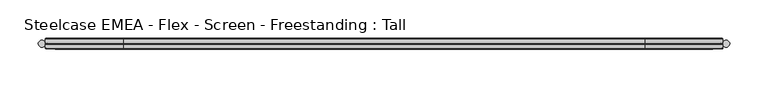
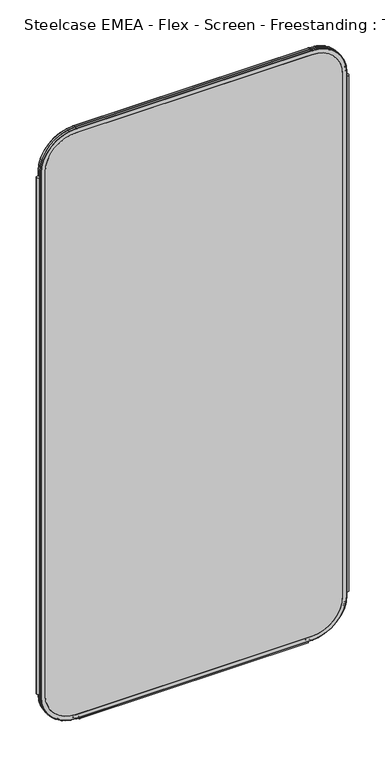
"""IFC4 building model written with IfcOpenShell, lengths in millimetres: furniture geometry, Steelcase EMEA - Flex - Screen - Freestanding : Tall."""

from ifc_helpers import new_model, si_unit, point, frame, frame_2d, origin, place, context, project, spatial, polyline, circle_curve, ellipse_curve, trimmed, segment, composite_curve, outline, extrude, source, transform, mapped, element, save
from ifc_brep_helpers import plane_surface, cylinder_surface, revolved_surface, advanced_brep


def steelcase_emea_flex_screen_freestanding_tall_e9c45d28(model_context):
    return source(origin(), model_context, "Body", "SolidModel", [
        extrude(outline(composite_curve([segment(trimmed(circle_curve(frame_2d((4.5307839, 0.0)), 4.572), [point((-0.0412161, 0.0))], [point((9.1027839, 0.0))], False, "CARTESIAN"), True, "CONTINUOUS"), segment(trimmed(circle_curve(frame_2d((4.5307839, 0.0)), 4.572), [point((9.1027839, 0.0))], [point((-0.0412161, 0.0))], False, "CARTESIAN"), True, "CONTINUOUS")], self_intersect=False)), frame((0.0, 0.0, 115.57), z_axis=(0.0, 0.0, 1.0), x_axis=(1.0, 0.0, 0.0)), (0.0, 0.0, 1.0), 1568.86),
        extrude(outline(composite_curve([segment(trimmed(circle_curve(frame_2d((895.4692161, 0.0)), 4.572), [point((890.8972161, 0.0))], [point((900.0412161, 0.0))], False, "CARTESIAN"), True, "CONTINUOUS"), segment(trimmed(circle_curve(frame_2d((895.4692161, 0.0)), 4.572), [point((900.0412161, 0.0))], [point((890.8972161, 0.0))], False, "CARTESIAN"), True, "CONTINUOUS")], self_intersect=False)), frame((0.0, 0.0, 115.57), z_axis=(0.0, 0.0, 1.0), x_axis=(1.0, 0.0, 0.0)), (0.0, 0.0, 1.0), 1568.86),
        extrude(outline(composite_curve([segment(trimmed(circle_curve(frame_2d((-3.5, 4.4751953)), 0.5), [point((-3.5, 4.9751953))], [point((-3.5, 3.9751953))], False, "CARTESIAN"), True, "CONTINUOUS"), segment(trimmed(circle_curve(frame_2d((-3.5, 2.4751953)), 1.5), [point((-3.5, 3.9751953))], [point((-2.3025096, 1.5718589))], True, "CARTESIAN"), True, "CONTINUOUS"), segment(trimmed(circle_curve(frame_2d((-10.3325937, 7.629417)), 10.0586411), [point((-2.3025096, 1.5718589))], [point((-0.714976, 4.6836248))], True, "CARTESIAN"), True, "CONTINUOUS"), segment(trimmed(circle_curve(frame_2d((0.0, 4.4646339)), 0.7477618), [point((-0.714976, 4.6836248))], [point((0.714976, 4.6836248))], False, "CARTESIAN"), True, "CONTINUOUS"), segment(trimmed(circle_curve(frame_2d((10.3325937, 7.629417)), 10.0586411), [point((0.714976, 4.6836248))], [point((2.3025096, 1.5718589))], True, "CARTESIAN"), True, "CONTINUOUS"), segment(trimmed(circle_curve(frame_2d((3.5, 2.4751953)), 1.5), [point((2.3025096, 1.5718589))], [point((3.5, 3.9751953))], True, "CARTESIAN"), True, "CONTINUOUS"), segment(trimmed(circle_curve(frame_2d((3.5, 4.4751953)), 0.5), [point((3.5, 3.9751953))], [point((3.5, 4.9751953))], False, "CARTESIAN"), True, "CONTINUOUS"), segment(trimmed(circle_curve(frame_2d((3.5, 2.4751953)), 2.5), [point((3.5, 4.9751953))], [point((1.4656663, 1.0220998))], False, "CARTESIAN"), True, "CONTINUOUS"), segment(trimmed(circle_curve(frame_2d((0.0, -0.0248047)), 1.8011626), [point((1.4656663, 1.0220998))], [point((-1.4656663, 1.0220998))], True, "CARTESIAN"), True, "CONTINUOUS"), segment(trimmed(circle_curve(frame_2d((-3.5, 2.4751953)), 2.5), [point((-1.4656663, 1.0220998))], [point((-3.5, 4.9751953))], False, "CARTESIAN"), True, "CONTINUOUS")], self_intersect=False)), frame((120.0, 0.0, 0.0), z_axis=(1.0, 0.0, 0.0), x_axis=(0.0, 1.0, 0.0)), (0.0, 0.0, 1.0), 660.0),
        advanced_brep(
        [(9.9273521, 0.0, 1698.4), (110.7653521, 0.0, 1799.238), (789.2594661, 0.0, 1799.238), (890.0974661, 0.0, 1698.4), (890.0974661, 0.0, 106.5996464), (789.2594661, 0.0, 5.7616464), (110.7653521, 0.0, 5.7616464), (9.9273521, 0.0, 106.5996464), (789.2594661, 0.0, 17.6996464), (878.1594661, 0.0, 106.5996464), (878.1594661, 0.0, 1698.4), (789.2594661, 0.0, 1787.3), (110.7653521, 0.0, 1787.3), (21.8653521, 0.0, 1698.4), (21.8653521, 0.0, 106.5996464), (110.7653521, 0.0, 17.6996464), (110.7653521, -0.762, 1800.0), (9.1653521, -0.762, 1698.4), (110.7653521, -6.096, 1800.0), (9.1653521, -6.096, 1698.4), (110.7653521, -6.858, 1799.238), (9.9273521, -6.858, 1698.4), (110.7653521, -6.858, 1787.3), (21.8653521, -6.858, 1698.4), (789.2594661, -0.762, 1800.0), (789.2594661, -6.096, 1800.0), (789.2594661, -6.858, 1799.238), (789.2594661, -6.858, 1787.3), (890.8594661, -0.762, 1698.4), (890.8594661, -6.096, 1698.4), (890.0974661, -6.858, 1698.4), (878.1594661, -6.858, 1698.4), (890.8594661, -0.762, 106.5996464), (890.8594661, -6.096, 106.5996464), (890.0974661, -6.858, 106.5996464), (878.1594661, -6.858, 106.5996464), (789.2594661, -0.762, 4.9996464), (789.2594661, -6.096, 4.9996464), (789.2594661, -6.858, 5.7616464), (789.2594661, -6.858, 17.6996464), (110.7653521, -0.762, 4.9996464), (110.7653521, -6.096, 4.9996464), (110.7653521, -6.858, 5.7616464), (110.7653521, -6.858, 17.6996464), (9.1653521, -0.762, 106.5996464), (9.1653521, -6.096, 106.5996464), (9.9273521, -6.858, 106.5996464), (21.8653521, -6.858, 106.5996464)],
        [
            (0, 1, circle_curve(frame((110.7653521, 0.0, 1698.4), z_axis=(0.0, 1.0, 0.0), x_axis=(-1.0, 0.0, 0.0)), 100.838)),
            (1, 2),
            (2, 3, circle_curve(frame((789.2594661, 0.0, 1698.4), z_axis=(0.0, 1.0, 0.0), x_axis=(0.0, 0.0, 1.0)), 100.838)),
            (3, 4),
            (4, 5, circle_curve(frame((789.2594661, 0.0, 106.5996464), z_axis=(0.0, 1.0, 0.0), x_axis=(1.0, 0.0, 0.0)), 100.838)),
            (5, 6),
            (6, 7, circle_curve(frame((110.7653521, 0.0, 106.5996464), z_axis=(0.0, 1.0, 0.0), x_axis=(0.0, 0.0, -1.0)), 100.838)),
            (7, 0),
            (8, 9, circle_curve(frame((789.2594661, 0.0, 106.5996464), z_axis=(0.0, -1.0, 0.0), x_axis=(1.0, 0.0, 0.0)), 88.9)),
            (9, 10),
            (10, 11, circle_curve(frame((789.2594661, 0.0, 1698.4), z_axis=(0.0, -1.0, 0.0), x_axis=(0.0, 0.0, 1.0)), 88.9)),
            (11, 12),
            (12, 13, circle_curve(frame((110.7653521, 0.0, 1698.4), z_axis=(0.0, -1.0, 0.0), x_axis=(-1.0, 0.0, 0.0)), 88.9)),
            (13, 14),
            (14, 15, circle_curve(frame((110.7653521, 0.0, 106.5996464), z_axis=(0.0, -1.0, 0.0), x_axis=(0.0, 0.0, -1.0)), 88.9)),
            (15, 8),
            (16, 1, circle_curve(frame((110.7653521, -0.762, 1799.238), z_axis=(-1.0, 0.0, 0.0), x_axis=(0.0, 0.0, 1.0)), 0.762)),
            (0, 17, circle_curve(frame((9.9273521, -0.762, 1698.4), z_axis=(0.0, 0.0, 1.0), x_axis=(-1.0, 0.0, 0.0)), 0.762)),
            (17, 16, circle_curve(frame((110.7653521, -0.762, 1698.4), z_axis=(0.0, 1.0, 0.0), x_axis=(-1.0, 0.0, 0.0)), 101.6)),
            (18, 16),
            (17, 19),
            (19, 18, circle_curve(frame((110.7653521, -6.096, 1698.4), z_axis=(0.0, 1.0, 0.0), x_axis=(-1.0, 0.0, 0.0)), 101.6)),
            (20, 18, circle_curve(frame((110.7653521, -6.096, 1799.238), z_axis=(-1.0, 0.0, 0.0), x_axis=(0.0, 0.0, 1.0)), 0.762)),
            (19, 21, circle_curve(frame((9.9273521, -6.096, 1698.4), z_axis=(0.0, 0.0, 1.0), x_axis=(-1.0, 0.0, 0.0)), 0.762)),
            (21, 20, circle_curve(frame((110.7653521, -6.858, 1698.4), z_axis=(0.0, 1.0, 0.0), x_axis=(-1.0, 0.0, 0.0)), 100.838)),
            (12, 22),
            (22, 23, circle_curve(frame((110.7653521, -6.858, 1698.4), z_axis=(0.0, -1.0, 0.0), x_axis=(-1.0, 0.0, 0.0)), 88.9)),
            (23, 13),
            (16, 24),
            (24, 2, circle_curve(frame((789.2594661, -0.762, 1799.238), z_axis=(-1.0, 0.0, 0.0), x_axis=(0.0, 0.0, 1.0)), 0.762)),
            (18, 25),
            (25, 24),
            (20, 26),
            (26, 25, circle_curve(frame((789.2594661, -6.096, 1799.238), z_axis=(-1.0, 0.0, 0.0), x_axis=(0.0, 0.0, 1.0)), 0.762)),
            (11, 27),
            (27, 22),
            (28, 3, circle_curve(frame((890.0974661, -0.762, 1698.4), z_axis=(0.0, 0.0, 1.0), x_axis=(1.0, 0.0, 0.0)), 0.762)),
            (24, 28, circle_curve(frame((789.2594661, -0.762, 1698.4), z_axis=(0.0, 1.0, 0.0), x_axis=(0.0, 0.0, 1.0)), 101.6)),
            (29, 28),
            (25, 29, circle_curve(frame((789.2594661, -6.096, 1698.4), z_axis=(0.0, 1.0, 0.0), x_axis=(0.0, 0.0, 1.0)), 101.6)),
            (30, 29, circle_curve(frame((890.0974661, -6.096, 1698.4), z_axis=(0.0, 0.0, 1.0), x_axis=(1.0, 0.0, 0.0)), 0.762)),
            (26, 30, circle_curve(frame((789.2594661, -6.858, 1698.4), z_axis=(0.0, 1.0, 0.0), x_axis=(0.0, 0.0, 1.0)), 100.838)),
            (10, 31),
            (31, 27, circle_curve(frame((789.2594661, -6.858, 1698.4), z_axis=(0.0, -1.0, 0.0), x_axis=(0.0, 0.0, 1.0)), 88.9)),
            (28, 32),
            (32, 4, circle_curve(frame((890.0974661, -0.762, 106.5996464), z_axis=(0.0, 0.0, 1.0), x_axis=(1.0, 0.0, 0.0)), 0.762)),
            (29, 33),
            (33, 32),
            (30, 34),
            (34, 33, circle_curve(frame((890.0974661, -6.096, 106.5996464), z_axis=(0.0, 0.0, 1.0), x_axis=(1.0, 0.0, 0.0)), 0.762)),
            (9, 35),
            (35, 31),
            (36, 5, circle_curve(frame((789.2594661, -0.762, 5.7616464), z_axis=(1.0, 0.0, 0.0), x_axis=(0.0, 0.0, -1.0)), 0.762)),
            (32, 36, circle_curve(frame((789.2594661, -0.762, 106.5996464), z_axis=(0.0, 1.0, 0.0), x_axis=(1.0, 0.0, 0.0)), 101.6)),
            (37, 36),
            (33, 37, circle_curve(frame((789.2594661, -6.096, 106.5996464), z_axis=(0.0, 1.0, 0.0), x_axis=(1.0, 0.0, 0.0)), 101.6)),
            (38, 37, circle_curve(frame((789.2594661, -6.096, 5.7616464), z_axis=(1.0, 0.0, 0.0), x_axis=(0.0, 0.0, -1.0)), 0.762)),
            (34, 38, circle_curve(frame((789.2594661, -6.858, 106.5996464), z_axis=(0.0, 1.0, 0.0), x_axis=(1.0, 0.0, 0.0)), 100.838)),
            (8, 39),
            (39, 35, circle_curve(frame((789.2594661, -6.858, 106.5996464), z_axis=(0.0, -1.0, 0.0), x_axis=(1.0, 0.0, 0.0)), 88.9)),
            (36, 40),
            (40, 6, circle_curve(frame((110.7653521, -0.762, 5.7616464), z_axis=(1.0, 0.0, 0.0), x_axis=(0.0, 0.0, -1.0)), 0.762)),
            (37, 41),
            (41, 40),
            (38, 42),
            (42, 41, circle_curve(frame((110.7653521, -6.096, 5.7616464), z_axis=(1.0, 0.0, 0.0), x_axis=(0.0, 0.0, -1.0)), 0.762)),
            (15, 43),
            (43, 39),
            (44, 7, circle_curve(frame((9.9273521, -0.762, 106.5996464), z_axis=(0.0, 0.0, -1.0), x_axis=(-1.0, 0.0, 0.0)), 0.762)),
            (40, 44, circle_curve(frame((110.7653521, -0.762, 106.5996464), z_axis=(0.0, 1.0, 0.0), x_axis=(0.0, 0.0, -1.0)), 101.6)),
            (45, 44),
            (41, 45, circle_curve(frame((110.7653521, -6.096, 106.5996464), z_axis=(0.0, 1.0, 0.0), x_axis=(0.0, 0.0, -1.0)), 101.6)),
            (46, 45, circle_curve(frame((9.9273521, -6.096, 106.5996464), z_axis=(0.0, 0.0, -1.0), x_axis=(-1.0, 0.0, 0.0)), 0.762)),
            (42, 46, circle_curve(frame((110.7653521, -6.858, 106.5996464), z_axis=(0.0, 1.0, 0.0), x_axis=(0.0, 0.0, -1.0)), 100.838)),
            (14, 47),
            (47, 43, circle_curve(frame((110.7653521, -6.858, 106.5996464), z_axis=(0.0, -1.0, 0.0), x_axis=(0.0, 0.0, -1.0)), 88.9)),
            (44, 17),
            (45, 19),
            (46, 21),
            (47, 23),
        ],
        [
            plane_surface(frame((21.8653521, 0.0, 106.5996464), z_axis=(0.0, 1.0, 0.0), x_axis=(0.0, 0.0, 1.0))),
            revolved_surface(trimmed(ellipse_curve(frame((9.9273521, -0.762, 1698.4), z_axis=(0.0, 0.0, 1.0), x_axis=(-1.0, 0.0, 0.0)), 0.762, 0.762), [point((9.9273521, 0.0, 1698.4))], [point((9.1653521, -0.762, 1698.4))], True, "CARTESIAN"), (110.7653521, 0.0, 1698.4), (0.0, -1.0, 0.0)),
            cylinder_surface(frame((110.7653521, 0.0, 1698.4), z_axis=(0.0, -1.0, 0.0), x_axis=(-1.0, 0.0, 0.0)), 101.6),
            revolved_surface(trimmed(ellipse_curve(frame((9.9273521, -6.096, 1698.4), z_axis=(0.0, 0.0, 1.0), x_axis=(-1.0, 0.0, 0.0)), 0.762, 0.762), [point((9.1653521, -6.096, 1698.4))], [point((9.9273521, -6.858, 1698.4))], True, "CARTESIAN"), (110.7653521, 0.0, 1698.4), (0.0, -1.0, 0.0)),
            revolved_surface(polyline([(21.865352099999996, -6.858, 1698.4), (21.865352099999996, 0.0, 1698.4)]), (110.7653521, 0.0, 1698.4), (0.0, -1.0, 0.0)),
            cylinder_surface(frame((110.7653521, -0.762, 1799.238), z_axis=(-1.0, 0.0, 0.0), x_axis=(0.0, 0.0, 1.0)), 0.762),
            plane_surface(frame((110.7653521, -0.762, 1800.0), z_axis=(0.0, 0.0, 1.0), x_axis=(1.0, 0.0, 0.0))),
            cylinder_surface(frame((110.7653521, -6.096, 1799.238), z_axis=(-1.0, 0.0, 0.0), x_axis=(0.0, 0.0, 1.0)), 0.762),
            plane_surface(frame((110.7653521, -6.858, 1787.3), z_axis=(0.0, 0.0, -1.0), x_axis=(1.0, 0.0, 0.0))),
            revolved_surface(trimmed(ellipse_curve(frame((789.2594661, -0.762, 1799.238), z_axis=(1.0, 0.0, 0.0), x_axis=(0.0, 0.0, 1.0)), 0.762, 0.762), [point((789.2594661, 0.0, 1799.238))], [point((789.2594661, -0.762, 1800.0))], True, "CARTESIAN"), (789.2594661, 0.0, 1698.4), (0.0, -1.0, 0.0)),
            cylinder_surface(frame((789.2594661, 0.0, 1698.4), z_axis=(0.0, -1.0, 0.0), x_axis=(0.0, 0.0, 1.0)), 101.6),
            revolved_surface(trimmed(ellipse_curve(frame((789.2594661, -6.096, 1799.238), z_axis=(1.0, 0.0, 0.0), x_axis=(0.0, 0.0, 1.0)), 0.762, 0.762), [point((789.2594661, -6.096, 1800.0))], [point((789.2594661, -6.858, 1799.238))], True, "CARTESIAN"), (789.2594661, 0.0, 1698.4), (0.0, -1.0, 0.0)),
            revolved_surface(polyline([(789.2594661, -6.858, 1787.3000000000002), (789.2594661, 0.0, 1787.3000000000002)]), (789.2594661, 0.0, 1698.4), (0.0, -1.0, 0.0)),
            cylinder_surface(frame((890.0974661, -0.762, 1698.4), z_axis=(0.0, 0.0, 1.0), x_axis=(1.0, 0.0, 0.0)), 0.762),
            plane_surface(frame((890.8594661, -0.762, 1698.4), z_axis=(1.0, 0.0, 0.0), x_axis=(0.0, 0.0, -1.0))),
            cylinder_surface(frame((890.0974661, -6.096, 1698.4), z_axis=(0.0, 0.0, 1.0), x_axis=(1.0, 0.0, 0.0)), 0.762),
            plane_surface(frame((878.1594661, -6.858, 1698.4), z_axis=(-1.0, 0.0, 0.0), x_axis=(0.0, 0.0, -1.0))),
            revolved_surface(trimmed(ellipse_curve(frame((890.0974661, -0.762, 106.5996464), z_axis=(0.0, 0.0, -1.0), x_axis=(1.0, 0.0, 0.0)), 0.762, 0.762), [point((890.0974661, 0.0, 106.5996464))], [point((890.8594661, -0.762, 106.5996464))], True, "CARTESIAN"), (789.2594661, 0.0, 106.5996464), (0.0, -1.0, 0.0)),
            cylinder_surface(frame((789.2594661, 0.0, 106.5996464), z_axis=(0.0, -1.0, 0.0), x_axis=(1.0, 0.0, 0.0)), 101.6),
            revolved_surface(trimmed(ellipse_curve(frame((890.0974661, -6.096, 106.5996464), z_axis=(0.0, 0.0, -1.0), x_axis=(1.0, 0.0, 0.0)), 0.762, 0.762), [point((890.8594661, -6.096, 106.5996464))], [point((890.0974661, -6.858, 106.5996464))], True, "CARTESIAN"), (789.2594661, 0.0, 106.5996464), (0.0, -1.0, 0.0)),
            revolved_surface(polyline([(878.1594661, -6.858, 106.5996464), (878.1594661, 0.0, 106.5996464)]), (789.2594661, 0.0, 106.5996464), (0.0, -1.0, 0.0)),
            cylinder_surface(frame((789.2594661, -0.762, 5.7616464), z_axis=(1.0, 0.0, 0.0), x_axis=(0.0, 0.0, -1.0)), 0.762),
            plane_surface(frame((789.2594661, -0.762, 4.9996464), z_axis=(0.0, 0.0, -1.0), x_axis=(-1.0, 0.0, 0.0))),
            cylinder_surface(frame((789.2594661, -6.096, 5.7616464), z_axis=(1.0, 0.0, 0.0), x_axis=(0.0, 0.0, -1.0)), 0.762),
            plane_surface(frame((789.2594661, -6.858, 17.6996464), z_axis=(0.0, 0.0, 1.0), x_axis=(-1.0, 0.0, 0.0))),
            revolved_surface(trimmed(ellipse_curve(frame((110.7653521, -0.762, 5.7616464), z_axis=(-1.0, 0.0, 0.0), x_axis=(0.0, 0.0, -1.0)), 0.762, 0.762), [point((110.7653521, 0.0, 5.7616464))], [point((110.7653521, -0.762, 4.9996464))], True, "CARTESIAN"), (110.7653521, 0.0, 106.5996464), (0.0, -1.0, 0.0)),
            cylinder_surface(frame((110.7653521, 0.0, 106.5996464), z_axis=(0.0, -1.0, 0.0), x_axis=(0.0, 0.0, -1.0)), 101.6),
            revolved_surface(trimmed(ellipse_curve(frame((110.7653521, -6.096, 5.7616464), z_axis=(-1.0, 0.0, 0.0), x_axis=(0.0, 0.0, -1.0)), 0.762, 0.762), [point((110.7653521, -6.096, 4.9996464))], [point((110.7653521, -6.858, 5.7616464))], True, "CARTESIAN"), (110.7653521, 0.0, 106.5996464), (0.0, -1.0, 0.0)),
            revolved_surface(polyline([(110.7653521, -6.858, 17.699646399999992), (110.7653521, 0.0, 17.699646399999992)]), (110.7653521, 0.0, 106.5996464), (0.0, -1.0, 0.0)),
            cylinder_surface(frame((9.9273521, -0.762, 106.5996464), z_axis=(0.0, 0.0, -1.0), x_axis=(-1.0, 0.0, 0.0)), 0.762),
            plane_surface(frame((9.1653521, -0.762, 106.5996464), z_axis=(-1.0, 0.0, 0.0), x_axis=(0.0, 0.0, 1.0))),
            cylinder_surface(frame((9.9273521, -6.096, 106.5996464), z_axis=(0.0, 0.0, -1.0), x_axis=(-1.0, 0.0, 0.0)), 0.762),
            plane_surface(frame((9.9273521, -6.858, 106.5996464), z_axis=(0.0, -1.0, 0.0), x_axis=(0.0, 0.0, 1.0))),
            plane_surface(frame((21.8653521, -6.858, 106.5996464), z_axis=(1.0, 0.0, 0.0), x_axis=(0.0, 0.0, 1.0))),
        ],
        [
            (0, [[1, 2, 3, 4, 5, 6, 7, 8], [9, 10, 11, 12, 13, 14, 15, 16]]),
            (1, [[17, -1, 18, 19]]),
            (2, [[20, -19, 21, 22]]),
            (3, [[23, -22, 24, 25]]),
            (4, [[26, 27, 28, -13]]),
            (5, [[29, 30, -2, -17]]),
            (6, [[31, 32, -29, -20]]),
            (7, [[33, 34, -31, -23]]),
            (8, [[-12, 35, 36, -26]]),
            (9, [[37, -3, -30, 38]]),
            (10, [[39, -38, -32, 40]]),
            (11, [[41, -40, -34, 42]]),
            (12, [[43, 44, -35, -11]]),
            (13, [[45, 46, -4, -37]]),
            (14, [[47, 48, -45, -39]]),
            (15, [[49, 50, -47, -41]]),
            (16, [[-10, 51, 52, -43]]),
            (17, [[53, -5, -46, 54]]),
            (18, [[55, -54, -48, 56]]),
            (19, [[57, -56, -50, 58]]),
            (20, [[59, 60, -51, -9]]),
            (21, [[61, 62, -6, -53]]),
            (22, [[63, 64, -61, -55]]),
            (23, [[65, 66, -63, -57]]),
            (24, [[-16, 67, 68, -59]]),
            (25, [[69, -7, -62, 70]]),
            (26, [[71, -70, -64, 72]]),
            (27, [[73, -72, -66, 74]]),
            (28, [[75, 76, -67, -15]]),
            (29, [[77, -18, -8, -69]]),
            (30, [[78, -21, -77, -71]]),
            (31, [[79, -24, -78, -73]]),
            (32, [[-58, -49, -42, -33, -25, -79, -74, -65], [-27, -36, -44, -52, -60, -68, -76, 80]]),
            (33, [[-14, -28, -80, -75]]),
        ],
    ),
        extrude(outline(composite_curve([segment(polyline([(1787.3, 789.2594661), (1787.3, 110.7653521)]), True, "CONTINUOUS"), segment(trimmed(circle_curve(frame_2d((1698.4, 110.7653521)), 88.9), [point((1787.3, 110.7653521))], [point((1698.4, 21.8653521))], False, "CARTESIAN"), True, "CONTINUOUS"), segment(polyline([(1698.4, 21.8653521), (106.5996464, 21.8653521)]), True, "CONTINUOUS"), segment(trimmed(circle_curve(frame_2d((106.5996464, 110.7653521)), 88.9), [point((106.5996464, 21.8653521))], [point((17.6996464, 110.7653521))], False, "CARTESIAN"), True, "CONTINUOUS"), segment(polyline([(17.6996464, 110.7653521), (17.6996464, 789.2594661)]), True, "CONTINUOUS"), segment(trimmed(circle_curve(frame_2d((106.5996464, 789.2594661)), 88.9), [point((17.6996464, 789.2594661))], [point((106.5996464, 878.1594661))], False, "CARTESIAN"), True, "CONTINUOUS"), segment(polyline([(106.5996464, 878.1594661), (1698.4, 878.1594661)]), True, "CONTINUOUS"), segment(trimmed(circle_curve(frame_2d((1698.4, 789.2594661)), 88.9), [point((1698.4, 878.1594661))], [point((1787.3, 789.2594661))], False, "CARTESIAN"), True, "CONTINUOUS")], self_intersect=False)), frame((0.0, -6.858, 0.0), z_axis=(0.0, 1.0, 0.0), x_axis=(0.0, 0.0, 1.0)), (0.0, 0.0, 1.0), 6.858),
        advanced_brep(
        [(110.7653521, 6.858, 1787.3), (110.7653521, 0.0, 1787.3), (21.8653521, 0.0, 1698.4), (21.8653521, 6.858, 1698.4), (110.7653521, 6.096, 1800.0), (110.7653521, 6.858, 1799.238), (9.9273521, 6.858, 1698.4), (9.1653521, 6.096, 1698.4), (110.7653521, 0.762, 1800.0), (9.1653521, 0.762, 1698.4), (110.7653521, 0.0, 1799.238), (9.9273521, 0.0, 1698.4), (789.2594661, 6.858, 1787.3), (789.2594661, 0.0, 1787.3), (789.2594661, 6.096, 1800.0), (789.2594661, 6.858, 1799.238), (789.2594661, 0.762, 1800.0), (789.2594661, 0.0, 1799.238), (878.1594661, 6.858, 1698.4), (878.1594661, 0.0, 1698.4), (890.8594661, 6.096, 1698.4), (890.0974661, 6.858, 1698.4), (890.8594661, 0.762, 1698.4), (890.0974661, 0.0, 1698.4), (878.1594661, 6.858, 106.5996464), (878.1594661, 0.0, 106.5996464), (890.8594661, 6.096, 106.5996464), (890.0974661, 6.858, 106.5996464), (890.8594661, 0.762, 106.5996464), (890.0974661, 0.0, 106.5996464), (789.2594661, 6.858, 17.6996464), (789.2594661, 0.0, 17.6996464), (789.2594661, 6.096, 4.9996464), (789.2594661, 6.858, 5.7616464), (789.2594661, 0.762, 4.9996464), (789.2594661, 0.0, 5.7616464), (110.7653521, 6.858, 17.6996464), (110.7653521, 0.0, 17.6996464), (110.7653521, 6.096, 4.9996464), (110.7653521, 6.858, 5.7616464), (110.7653521, 0.762, 4.9996464), (110.7653521, 0.0, 5.7616464), (21.8653521, 6.858, 106.5996464), (21.8653521, 0.0, 106.5996464), (9.1653521, 6.096, 106.5996464), (9.9273521, 6.858, 106.5996464), (9.1653521, 0.762, 106.5996464), (9.9273521, 0.0, 106.5996464)],
        [
            (0, 1),
            (1, 2, circle_curve(frame((110.7653521, 0.0, 1698.4), z_axis=(0.0, -1.0, 0.0), x_axis=(-1.0, 0.0, 0.0)), 88.9)),
            (2, 3),
            (3, 0, circle_curve(frame((110.7653521, 6.858, 1698.4), z_axis=(0.0, 1.0, 0.0), x_axis=(-1.0, 0.0, 0.0)), 88.9)),
            (4, 5, circle_curve(frame((110.7653521, 6.096, 1799.238), z_axis=(-1.0, 0.0, 0.0), x_axis=(0.0, 0.0, 1.0)), 0.762)),
            (5, 6, circle_curve(frame((110.7653521, 6.858, 1698.4), z_axis=(0.0, -1.0, 0.0), x_axis=(-1.0, 0.0, 0.0)), 100.838)),
            (6, 7, circle_curve(frame((9.9273521, 6.096, 1698.4), z_axis=(0.0, 0.0, 1.0), x_axis=(-1.0, 0.0, 0.0)), 0.762)),
            (7, 4, circle_curve(frame((110.7653521, 6.096, 1698.4), z_axis=(0.0, 1.0, 0.0), x_axis=(-1.0, 0.0, 0.0)), 101.6)),
            (8, 4),
            (7, 9),
            (9, 8, circle_curve(frame((110.7653521, 0.762, 1698.4), z_axis=(0.0, 1.0, 0.0), x_axis=(-1.0, 0.0, 0.0)), 101.6)),
            (10, 8, circle_curve(frame((110.7653521, 0.762, 1799.238), z_axis=(-1.0, 0.0, 0.0), x_axis=(0.0, 0.0, 1.0)), 0.762)),
            (9, 11, circle_curve(frame((9.9273521, 0.762, 1698.4), z_axis=(0.0, 0.0, 1.0), x_axis=(-1.0, 0.0, 0.0)), 0.762)),
            (11, 10, circle_curve(frame((110.7653521, 0.0, 1698.4), z_axis=(0.0, 1.0, 0.0), x_axis=(-1.0, 0.0, 0.0)), 100.838)),
            (0, 12),
            (12, 13),
            (13, 1),
            (4, 14),
            (14, 15, circle_curve(frame((789.2594661, 6.096, 1799.238), z_axis=(-1.0, 0.0, 0.0), x_axis=(0.0, 0.0, 1.0)), 0.762)),
            (15, 5),
            (8, 16),
            (16, 14),
            (10, 17),
            (17, 16, circle_curve(frame((789.2594661, 0.762, 1799.238), z_axis=(-1.0, 0.0, 0.0), x_axis=(0.0, 0.0, 1.0)), 0.762)),
            (18, 19),
            (19, 13, circle_curve(frame((789.2594661, 0.0, 1698.4), z_axis=(0.0, -1.0, 0.0), x_axis=(0.0, 0.0, 1.0)), 88.9)),
            (12, 18, circle_curve(frame((789.2594661, 6.858, 1698.4), z_axis=(0.0, 1.0, 0.0), x_axis=(0.0, 0.0, 1.0)), 88.9)),
            (20, 21, circle_curve(frame((890.0974661, 6.096, 1698.4), z_axis=(0.0, 0.0, 1.0), x_axis=(1.0, 0.0, 0.0)), 0.762)),
            (21, 15, circle_curve(frame((789.2594661, 6.858, 1698.4), z_axis=(0.0, -1.0, 0.0), x_axis=(0.0, 0.0, 1.0)), 100.838)),
            (14, 20, circle_curve(frame((789.2594661, 6.096, 1698.4), z_axis=(0.0, 1.0, 0.0), x_axis=(0.0, 0.0, 1.0)), 101.6)),
            (22, 20),
            (16, 22, circle_curve(frame((789.2594661, 0.762, 1698.4), z_axis=(0.0, 1.0, 0.0), x_axis=(0.0, 0.0, 1.0)), 101.6)),
            (23, 22, circle_curve(frame((890.0974661, 0.762, 1698.4), z_axis=(0.0, 0.0, 1.0), x_axis=(1.0, 0.0, 0.0)), 0.762)),
            (17, 23, circle_curve(frame((789.2594661, 0.0, 1698.4), z_axis=(0.0, 1.0, 0.0), x_axis=(0.0, 0.0, 1.0)), 100.838)),
            (18, 24),
            (24, 25),
            (25, 19),
            (20, 26),
            (26, 27, circle_curve(frame((890.0974661, 6.096, 106.5996464), z_axis=(0.0, 0.0, 1.0), x_axis=(1.0, 0.0, 0.0)), 0.762)),
            (27, 21),
            (22, 28),
            (28, 26),
            (23, 29),
            (29, 28, circle_curve(frame((890.0974661, 0.762, 106.5996464), z_axis=(0.0, 0.0, 1.0), x_axis=(1.0, 0.0, 0.0)), 0.762)),
            (30, 31),
            (31, 25, circle_curve(frame((789.2594661, 0.0, 106.5996464), z_axis=(0.0, -1.0, 0.0), x_axis=(1.0, 0.0, 0.0)), 88.9)),
            (24, 30, circle_curve(frame((789.2594661, 6.858, 106.5996464), z_axis=(0.0, 1.0, 0.0), x_axis=(1.0, 0.0, 0.0)), 88.9)),
            (32, 33, circle_curve(frame((789.2594661, 6.096, 5.7616464), z_axis=(1.0, 0.0, 0.0), x_axis=(0.0, 0.0, -1.0)), 0.762)),
            (33, 27, circle_curve(frame((789.2594661, 6.858, 106.5996464), z_axis=(0.0, -1.0, 0.0), x_axis=(1.0, 0.0, 0.0)), 100.838)),
            (26, 32, circle_curve(frame((789.2594661, 6.096, 106.5996464), z_axis=(0.0, 1.0, 0.0), x_axis=(1.0, 0.0, 0.0)), 101.6)),
            (34, 32),
            (28, 34, circle_curve(frame((789.2594661, 0.762, 106.5996464), z_axis=(0.0, 1.0, 0.0), x_axis=(1.0, 0.0, 0.0)), 101.6)),
            (35, 34, circle_curve(frame((789.2594661, 0.762, 5.7616464), z_axis=(1.0, 0.0, 0.0), x_axis=(0.0, 0.0, -1.0)), 0.762)),
            (29, 35, circle_curve(frame((789.2594661, 0.0, 106.5996464), z_axis=(0.0, 1.0, 0.0), x_axis=(1.0, 0.0, 0.0)), 100.838)),
            (30, 36),
            (36, 37),
            (37, 31),
            (32, 38),
            (38, 39, circle_curve(frame((110.7653521, 6.096, 5.7616464), z_axis=(1.0, 0.0, 0.0), x_axis=(0.0, 0.0, -1.0)), 0.762)),
            (39, 33),
            (34, 40),
            (40, 38),
            (35, 41),
            (41, 40, circle_curve(frame((110.7653521, 0.762, 5.7616464), z_axis=(1.0, 0.0, 0.0), x_axis=(0.0, 0.0, -1.0)), 0.762)),
            (42, 43),
            (43, 37, circle_curve(frame((110.7653521, 0.0, 106.5996464), z_axis=(0.0, -1.0, 0.0), x_axis=(0.0, 0.0, -1.0)), 88.9)),
            (36, 42, circle_curve(frame((110.7653521, 6.858, 106.5996464), z_axis=(0.0, 1.0, 0.0), x_axis=(0.0, 0.0, -1.0)), 88.9)),
            (44, 45, circle_curve(frame((9.9273521, 6.096, 106.5996464), z_axis=(0.0, 0.0, -1.0), x_axis=(-1.0, 0.0, 0.0)), 0.762)),
            (45, 39, circle_curve(frame((110.7653521, 6.858, 106.5996464), z_axis=(0.0, -1.0, 0.0), x_axis=(0.0, 0.0, -1.0)), 100.838)),
            (38, 44, circle_curve(frame((110.7653521, 6.096, 106.5996464), z_axis=(0.0, 1.0, 0.0), x_axis=(0.0, 0.0, -1.0)), 101.6)),
            (46, 44),
            (40, 46, circle_curve(frame((110.7653521, 0.762, 106.5996464), z_axis=(0.0, 1.0, 0.0), x_axis=(0.0, 0.0, -1.0)), 101.6)),
            (47, 46, circle_curve(frame((9.9273521, 0.762, 106.5996464), z_axis=(0.0, 0.0, -1.0), x_axis=(-1.0, 0.0, 0.0)), 0.762)),
            (41, 47, circle_curve(frame((110.7653521, 0.0, 106.5996464), z_axis=(0.0, 1.0, 0.0), x_axis=(0.0, 0.0, -1.0)), 100.838)),
            (42, 3),
            (2, 43),
            (45, 6),
            (44, 7),
            (46, 9),
            (47, 11),
        ],
        [
            revolved_surface(polyline([(21.865352099999996, 0.0, 1698.4), (21.865352099999996, 6.858, 1698.4)]), (110.7653521, 0.0, 1698.4), (0.0, -1.0, 0.0)),
            revolved_surface(trimmed(ellipse_curve(frame((9.9273521, 6.096, 1698.4), z_axis=(0.0, 0.0, 1.0), x_axis=(-1.0, 0.0, 0.0)), 0.762, 0.762), [point((9.9273521, 6.858, 1698.4))], [point((9.1653521, 6.096, 1698.4))], True, "CARTESIAN"), (110.7653521, 0.0, 1698.4), (0.0, -1.0, 0.0)),
            cylinder_surface(frame((110.7653521, 0.0, 1698.4), z_axis=(0.0, -1.0, 0.0), x_axis=(-1.0, 0.0, 0.0)), 101.6),
            revolved_surface(trimmed(ellipse_curve(frame((9.9273521, 0.762, 1698.4), z_axis=(0.0, 0.0, 1.0), x_axis=(-1.0, 0.0, 0.0)), 0.762, 0.762), [point((9.1653521, 0.762, 1698.4))], [point((9.9273521, 0.0, 1698.4))], True, "CARTESIAN"), (110.7653521, 0.0, 1698.4), (0.0, -1.0, 0.0)),
            plane_surface(frame((110.7653521, 0.0, 1787.3), z_axis=(0.0, 0.0, -1.0), x_axis=(1.0, 0.0, 0.0))),
            cylinder_surface(frame((110.7653521, 6.096, 1799.238), z_axis=(-1.0, 0.0, 0.0), x_axis=(0.0, 0.0, 1.0)), 0.762),
            plane_surface(frame((110.7653521, 6.096, 1800.0), z_axis=(0.0, 0.0, 1.0), x_axis=(1.0, 0.0, 0.0))),
            cylinder_surface(frame((110.7653521, 0.762, 1799.238), z_axis=(-1.0, 0.0, 0.0), x_axis=(0.0, 0.0, 1.0)), 0.762),
            revolved_surface(polyline([(789.2594661, 0.0, 1787.3000000000002), (789.2594661, 6.858, 1787.3000000000002)]), (789.2594661, 0.0, 1698.4), (0.0, -1.0, 0.0)),
            revolved_surface(trimmed(ellipse_curve(frame((789.2594661, 6.096, 1799.238), z_axis=(1.0, 0.0, 0.0), x_axis=(0.0, 0.0, 1.0)), 0.762, 0.762), [point((789.2594661, 6.858, 1799.238))], [point((789.2594661, 6.096, 1800.0))], True, "CARTESIAN"), (789.2594661, 0.0, 1698.4), (0.0, -1.0, 0.0)),
            cylinder_surface(frame((789.2594661, 0.0, 1698.4), z_axis=(0.0, -1.0, 0.0), x_axis=(0.0, 0.0, 1.0)), 101.6),
            revolved_surface(trimmed(ellipse_curve(frame((789.2594661, 0.762, 1799.238), z_axis=(1.0, 0.0, 0.0), x_axis=(0.0, 0.0, 1.0)), 0.762, 0.762), [point((789.2594661, 0.762, 1800.0))], [point((789.2594661, 0.0, 1799.238))], True, "CARTESIAN"), (789.2594661, 0.0, 1698.4), (0.0, -1.0, 0.0)),
            plane_surface(frame((878.1594661, 0.0, 1698.4), z_axis=(-1.0, 0.0, 0.0), x_axis=(0.0, 0.0, -1.0))),
            cylinder_surface(frame((890.0974661, 6.096, 1698.4), z_axis=(0.0, 0.0, 1.0), x_axis=(1.0, 0.0, 0.0)), 0.762),
            plane_surface(frame((890.8594661, 6.096, 1698.4), z_axis=(1.0, 0.0, 0.0), x_axis=(0.0, 0.0, -1.0))),
            cylinder_surface(frame((890.0974661, 0.762, 1698.4), z_axis=(0.0, 0.0, 1.0), x_axis=(1.0, 0.0, 0.0)), 0.762),
            revolved_surface(polyline([(878.1594661, 0.0, 106.5996464), (878.1594661, 6.858, 106.5996464)]), (789.2594661, 0.0, 106.5996464), (0.0, -1.0, 0.0)),
            revolved_surface(trimmed(ellipse_curve(frame((890.0974661, 6.096, 106.5996464), z_axis=(0.0, 0.0, -1.0), x_axis=(1.0, 0.0, 0.0)), 0.762, 0.762), [point((890.0974661, 6.858, 106.5996464))], [point((890.8594661, 6.096, 106.5996464))], True, "CARTESIAN"), (789.2594661, 0.0, 106.5996464), (0.0, -1.0, 0.0)),
            cylinder_surface(frame((789.2594661, 0.0, 106.5996464), z_axis=(0.0, -1.0, 0.0), x_axis=(1.0, 0.0, 0.0)), 101.6),
            revolved_surface(trimmed(ellipse_curve(frame((890.0974661, 0.762, 106.5996464), z_axis=(0.0, 0.0, -1.0), x_axis=(1.0, 0.0, 0.0)), 0.762, 0.762), [point((890.8594661, 0.762, 106.5996464))], [point((890.0974661, 0.0, 106.5996464))], True, "CARTESIAN"), (789.2594661, 0.0, 106.5996464), (0.0, -1.0, 0.0)),
            plane_surface(frame((789.2594661, 0.0, 17.6996464), z_axis=(0.0, 0.0, 1.0), x_axis=(-1.0, 0.0, 0.0))),
            cylinder_surface(frame((789.2594661, 6.096, 5.7616464), z_axis=(1.0, 0.0, 0.0), x_axis=(0.0, 0.0, -1.0)), 0.762),
            plane_surface(frame((789.2594661, 6.096, 4.9996464), z_axis=(0.0, 0.0, -1.0), x_axis=(-1.0, 0.0, 0.0))),
            cylinder_surface(frame((789.2594661, 0.762, 5.7616464), z_axis=(1.0, 0.0, 0.0), x_axis=(0.0, 0.0, -1.0)), 0.762),
            revolved_surface(polyline([(110.7653521, 0.0, 17.699646399999992), (110.7653521, 6.858, 17.699646399999992)]), (110.7653521, 0.0, 106.5996464), (0.0, -1.0, 0.0)),
            revolved_surface(trimmed(ellipse_curve(frame((110.7653521, 6.096, 5.7616464), z_axis=(-1.0, 0.0, 0.0), x_axis=(0.0, 0.0, -1.0)), 0.762, 0.762), [point((110.7653521, 6.858, 5.7616464))], [point((110.7653521, 6.096, 4.9996464))], True, "CARTESIAN"), (110.7653521, 0.0, 106.5996464), (0.0, -1.0, 0.0)),
            cylinder_surface(frame((110.7653521, 0.0, 106.5996464), z_axis=(0.0, -1.0, 0.0), x_axis=(0.0, 0.0, -1.0)), 101.6),
            revolved_surface(trimmed(ellipse_curve(frame((110.7653521, 0.762, 5.7616464), z_axis=(-1.0, 0.0, 0.0), x_axis=(0.0, 0.0, -1.0)), 0.762, 0.762), [point((110.7653521, 0.762, 4.9996464))], [point((110.7653521, 0.0, 5.7616464))], True, "CARTESIAN"), (110.7653521, 0.0, 106.5996464), (0.0, -1.0, 0.0)),
            plane_surface(frame((21.8653521, 0.0, 106.5996464), z_axis=(1.0, 0.0, 0.0), x_axis=(0.0, 0.0, 1.0))),
            plane_surface(frame((21.8653521, 6.858, 106.5996464), z_axis=(0.0, 1.0, 0.0), x_axis=(0.0, 0.0, 1.0))),
            cylinder_surface(frame((9.9273521, 6.096, 106.5996464), z_axis=(0.0, 0.0, -1.0), x_axis=(-1.0, 0.0, 0.0)), 0.762),
            plane_surface(frame((9.1653521, 6.096, 106.5996464), z_axis=(-1.0, 0.0, 0.0), x_axis=(0.0, 0.0, 1.0))),
            cylinder_surface(frame((9.9273521, 0.762, 106.5996464), z_axis=(0.0, 0.0, -1.0), x_axis=(-1.0, 0.0, 0.0)), 0.762),
            plane_surface(frame((9.9273521, 0.0, 106.5996464), z_axis=(0.0, -1.0, 0.0), x_axis=(0.0, 0.0, 1.0))),
        ],
        [
            (0, [[1, 2, 3, 4]]),
            (1, [[5, 6, 7, 8]]),
            (2, [[9, -8, 10, 11]]),
            (3, [[12, -11, 13, 14]]),
            (4, [[15, 16, 17, -1]]),
            (5, [[18, 19, 20, -5]]),
            (6, [[21, 22, -18, -9]]),
            (7, [[23, 24, -21, -12]]),
            (8, [[25, 26, -16, 27]]),
            (9, [[28, 29, -19, 30]]),
            (10, [[31, -30, -22, 32]]),
            (11, [[33, -32, -24, 34]]),
            (12, [[35, 36, 37, -25]]),
            (13, [[38, 39, 40, -28]]),
            (14, [[41, 42, -38, -31]]),
            (15, [[43, 44, -41, -33]]),
            (16, [[45, 46, -36, 47]]),
            (17, [[48, 49, -39, 50]]),
            (18, [[51, -50, -42, 52]]),
            (19, [[53, -52, -44, 54]]),
            (20, [[55, 56, 57, -45]]),
            (21, [[58, 59, 60, -48]]),
            (22, [[61, 62, -58, -51]]),
            (23, [[63, 64, -61, -53]]),
            (24, [[65, 66, -56, 67]]),
            (25, [[68, 69, -59, 70]]),
            (26, [[71, -70, -62, 72]]),
            (27, [[73, -72, -64, 74]]),
            (28, [[75, -3, 76, -65]]),
            (29, [[-6, -20, -29, -40, -49, -60, -69, 77], [-47, -35, -27, -15, -4, -75, -67, -55]]),
            (30, [[78, -7, -77, -68]]),
            (31, [[79, -10, -78, -71]]),
            (32, [[80, -13, -79, -73]]),
            (33, [[-54, -43, -34, -23, -14, -80, -74, -63], [-2, -17, -26, -37, -46, -57, -66, -76]]),
        ],
    ),
        extrude(outline(composite_curve([segment(polyline([(1787.3, 789.2594661), (1787.3, 110.7653521)]), True, "CONTINUOUS"), segment(trimmed(circle_curve(frame_2d((1698.4, 110.7653521)), 88.9), [point((1787.3, 110.7653521))], [point((1698.4, 21.8653521))], False, "CARTESIAN"), True, "CONTINUOUS"), segment(polyline([(1698.4, 21.8653521), (106.5996464, 21.8653521)]), True, "CONTINUOUS"), segment(trimmed(circle_curve(frame_2d((106.5996464, 110.7653521)), 88.9), [point((106.5996464, 21.8653521))], [point((17.6996464, 110.7653521))], False, "CARTESIAN"), True, "CONTINUOUS"), segment(polyline([(17.6996464, 110.7653521), (17.6996464, 789.2594661)]), True, "CONTINUOUS"), segment(trimmed(circle_curve(frame_2d((106.5996464, 789.2594661)), 88.9), [point((17.6996464, 789.2594661))], [point((106.5996464, 878.1594661))], False, "CARTESIAN"), True, "CONTINUOUS"), segment(polyline([(106.5996464, 878.1594661), (1698.4, 878.1594661)]), True, "CONTINUOUS"), segment(trimmed(circle_curve(frame_2d((1698.4, 789.2594661)), 88.9), [point((1698.4, 878.1594661))], [point((1787.3, 789.2594661))], False, "CARTESIAN"), True, "CONTINUOUS")], self_intersect=False)), frame((0.0, 0.0, 0.0), z_axis=(0.0, 1.0, 0.0), x_axis=(0.0, 0.0, 1.0)), (0.0, 0.0, 1.0), 6.858),
    ])


if __name__ == "__main__":
    model = new_model("IFC4")
    model_context = context("Model", 3, world=origin())
    ifc_project = project(units=[si_unit("LENGTHUNIT", "METRE", prefix="MILLI")], contexts=[model_context])
    site = spatial("IfcSite", under=ifc_project)
    building = spatial("IfcBuilding", under=site)
    placement = place(None, origin())
    steelcase_emea_flex_screen_freestanding_tall_shape = steelcase_emea_flex_screen_freestanding_tall_e9c45d28(model_context)
    element("IfcFurniture", 1, ObjectType="Steelcase EMEA - Flex - Screen - Freestanding : Tall", at=placement, inside=building, context=model_context, shape_type="MappedRepresentation", body=[
        mapped(steelcase_emea_flex_screen_freestanding_tall_shape, transform((0.0, 0.0, 0.0), x_axis=(1.0, 0.0, 0.0), y_axis=(0.0, 1.0, 0.0), z_axis=(0.0, 0.0, 1.0))),
    ])
    save(model, "model.ifc")
